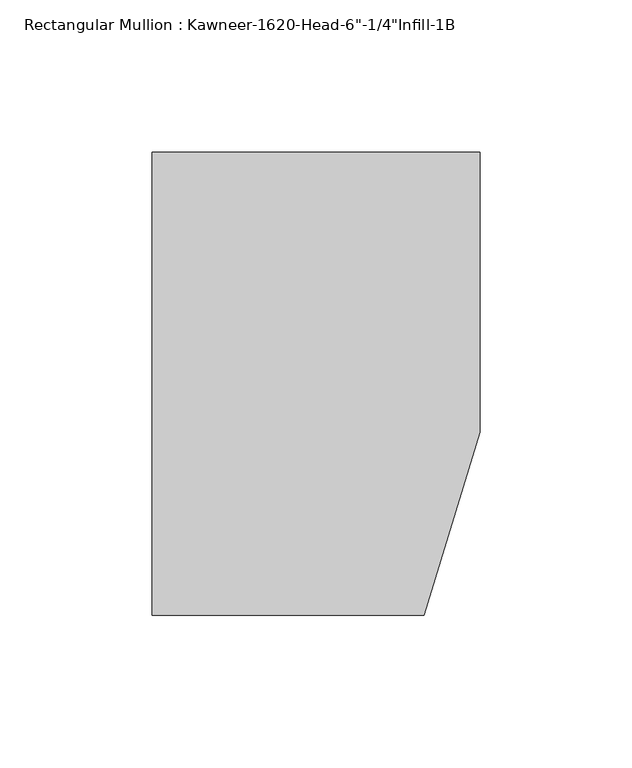
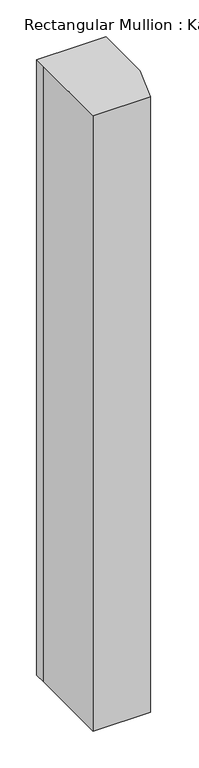
"""IFC4 building model written with IfcOpenShell, lengths in millimetres: member geometry."""

from ifc_helpers import new_model, si_unit, frame, origin, place, context, project, spatial, polyline, outline, extrude, source, transform, mapped, element, save


def member_a308d1c0(model_context):
    return source(origin(), model_context, "Body", "SweptSolid", [
        extrude(outline(polyline([(-107.95, 10.3845466), (-107.95, 28.575), (-44.1519366, 28.575), (0.0, 28.575), (0.0, -63.5), (-18.3538271, -123.825), (-107.95, -123.825), (-107.95, 10.3845466)])), frame((0.0, 0.0, -1016.0), z_axis=(0.0, 0.0, 1.0), x_axis=(1.0, 0.0, 0.0)), (0.0, 0.0, 1.0), 1016.0),
    ])


if __name__ == "__main__":
    model = new_model("IFC4")
    model_context = context("Model", 3, world=origin())
    ifc_project = project(units=[si_unit("LENGTHUNIT", "METRE", prefix="MILLI")], contexts=[model_context])
    site = spatial("IfcSite", under=ifc_project)
    building = spatial("IfcBuilding", under=site)
    placement = place(None, origin())
    member_shape = member_a308d1c0(model_context)
    element("IfcMember", 1, ObjectType="Rectangular Mullion : Kawneer-1620-Head-6\"-1/4\"Infill-1B", at=placement, inside=building, context=model_context, shape_type="MappedRepresentation", body=[
        mapped(member_shape, transform((0.0, 0.0, 0.0), x_axis=(1.0, 0.0, 0.0), y_axis=(0.0, 1.0, 0.0), z_axis=(0.0, 0.0, 1.0))),
    ])
    save(model, "model.ifc")
